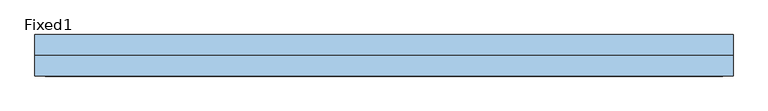
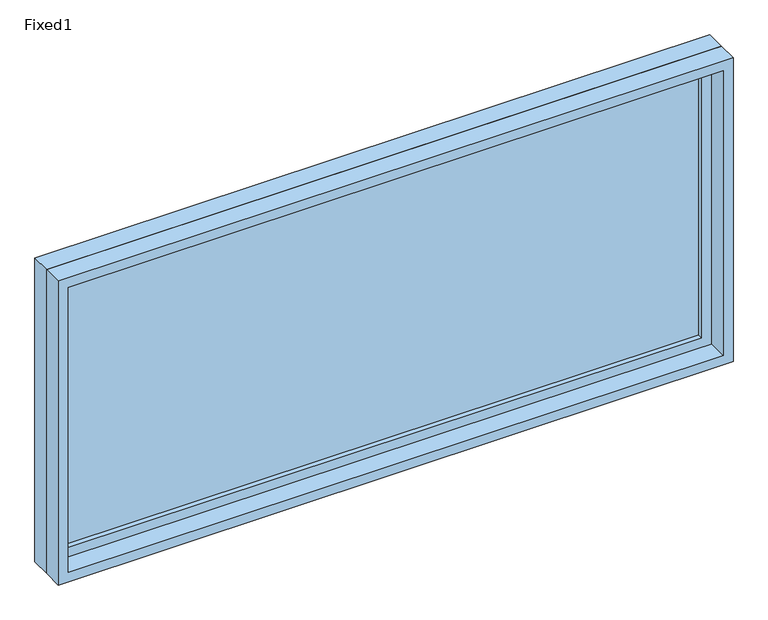
"""IFC4 building model written with IfcOpenShell, lengths in millimetres: window geometry, Fixed1."""

from ifc_helpers import new_model, si_unit, frame, origin, place, context, project, spatial, polyline, outline, extrude, source, transform, mapped, element, save


def fixed1_4fd9c526(model_context):
    return source(origin(), model_context, "Body", "SweptSolid", [
        extrude(outline(polyline([(965.2, 15.875), (-1041.4, 15.875), (-1041.4, 28.575), (965.2, 28.575), (965.2, 15.875)])), frame((0.0, 0.0, 1130.3), z_axis=(0.0, 0.0, 1.0), x_axis=(1.0, 0.0, 0.0)), (0.0, 0.0, 1.0), 889.0),
        extrude(outline(polyline([(2063.75, -1085.85), (1085.85, -1085.85), (1085.85, 1009.65), (2063.75, 1009.65), (2063.75, -1085.85)]), holes=[polyline([(2019.3, -1041.4), (2019.3, 965.2), (1130.3, 965.2), (1130.3, -1041.4), (2019.3, -1041.4)])]), frame((0.0, 0.0, 0.0), z_axis=(0.0, 1.0, 0.0), x_axis=(0.0, 0.0, 1.0)), (0.0, 0.0, 1.0), 44.45),
        extrude(outline(polyline([(2082.8, -1104.9), (1066.8, -1104.9), (1066.8, 1028.7), (2082.8, 1028.7), (2082.8, -1104.9)]), holes=[polyline([(2051.05, -1073.15), (2051.05, 996.95), (1098.55, 996.95), (1098.55, -1073.15), (2051.05, -1073.15)])]), frame((0.0, -63.5, 0.0), z_axis=(0.0, 1.0, 0.0), x_axis=(0.0, 0.0, 1.0)), (0.0, 0.0, 1.0), 63.5),
        extrude(outline(polyline([(2082.8, 1028.7), (2082.8, -1104.9), (1066.8, -1104.9), (1066.8, 1028.7), (2082.8, 1028.7)]), holes=[polyline([(2063.75, 1009.65), (1085.85, 1009.65), (1085.85, -1085.85), (2063.75, -1085.85), (2063.75, 1009.65)])]), frame((0.0, 0.0, 0.0), z_axis=(0.0, 1.0, 0.0), x_axis=(0.0, 0.0, 1.0)), (0.0, 0.0, 1.0), 63.5),
    ])


if __name__ == "__main__":
    model = new_model("IFC4")
    model_context = context("Model", 3, world=origin())
    ifc_project = project(units=[si_unit("LENGTHUNIT", "METRE", prefix="MILLI")], contexts=[model_context])
    site = spatial("IfcSite", under=ifc_project)
    building = spatial("IfcBuilding", under=site)
    placement = place(None, origin())
    fixed1_shape = fixed1_4fd9c526(model_context)
    element("IfcWindow", 1, ObjectType="Fixed1", at=placement, inside=building, context=model_context, shape_type="MappedRepresentation", body=[
        mapped(fixed1_shape, transform((0.0, 0.0, 0.0), x_axis=(1.0, 0.0, 0.0), y_axis=(0.0, 1.0, 0.0), z_axis=(0.0, 0.0, 1.0))),
    ])
    save(model, "model.ifc")
